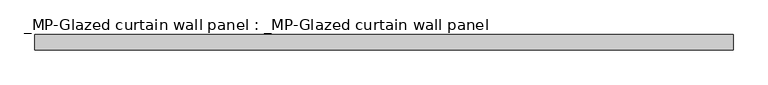
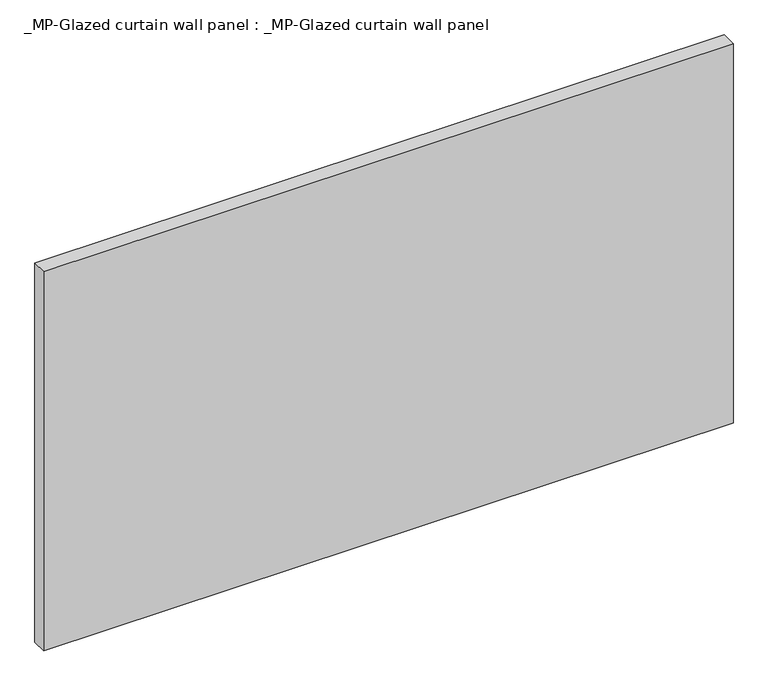
"""IFC4 building model written with IfcOpenShell, lengths in millimetres: plate geometry, _MP-Glazed curtain wall panel : _MP-Glazed curtain wall panel."""

from ifc_helpers import new_model, si_unit, frame, origin, place, context, project, spatial, polyline, outline, extrude, source, transform, mapped, element, save


def mp_glazed_curtain_wall_panel_mp_glazed_curtain_wall_panel_11eb5d74(model_context):
    return source(origin(), model_context, "Body", "SweptSolid", [
        extrude(outline(polyline([(684.0, 30.0), (-684.0, 30.0), (-684.0, 60.0), (684.0, 60.0), (684.0, 30.0)])), frame((0.0, 0.0, -14.0), z_axis=(0.0, 0.0, 1.0), x_axis=(1.0, 0.0, 0.0)), (0.0, 0.0, 1.0), 796.0341184),
    ])


if __name__ == "__main__":
    model = new_model("IFC4")
    model_context = context("Model", 3, world=origin())
    ifc_project = project(units=[si_unit("LENGTHUNIT", "METRE", prefix="MILLI")], contexts=[model_context])
    site = spatial("IfcSite", under=ifc_project)
    building = spatial("IfcBuilding", under=site)
    placement = place(None, origin())
    mp_glazed_curtain_wall_panel_mp_glazed_curtain_wall_panel_shape = mp_glazed_curtain_wall_panel_mp_glazed_curtain_wall_panel_11eb5d74(model_context)
    element("IfcPlate", 1, ObjectType="_MP-Glazed curtain wall panel : _MP-Glazed curtain wall panel", at=placement, inside=building, context=model_context, shape_type="MappedRepresentation", body=[
        mapped(mp_glazed_curtain_wall_panel_mp_glazed_curtain_wall_panel_shape, transform((0.0, 0.0, 0.0), x_axis=(1.0, 0.0, 0.0), y_axis=(0.0, 1.0, 0.0), z_axis=(0.0, 0.0, 1.0))),
    ])
    save(model, "model.ifc")
